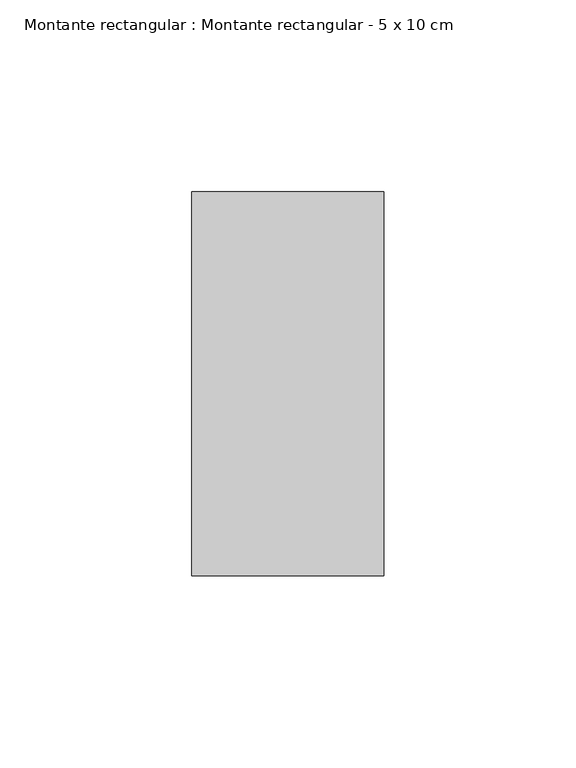
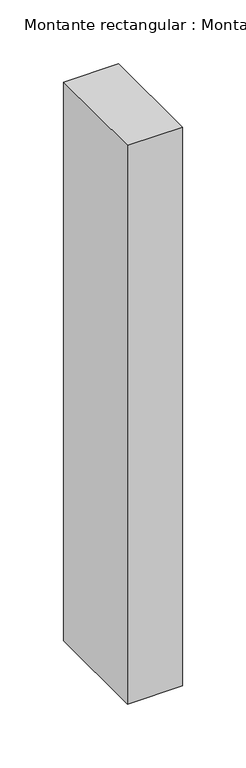
"""IFC4 building model written with IfcOpenShell, lengths in millimetres: member geometry, Montante rectangular : Montante rectangular - 5 x 10 cm."""

from ifc_helpers import new_model, si_unit, frame, origin, place, context, project, spatial, polyline, outline, extrude, source, transform, mapped, element, save


def montante_rectangular_montante_rectangular_5_x_10_cm_a4a559ca(model_context):
    return source(origin(), model_context, "Body", "SweptSolid", [
        extrude(outline(polyline([(-50.0, 50.0), (0.0, 50.0), (0.0, -50.0), (-50.0, -50.0), (-50.0, 50.0)])), frame((0.0, 0.0, -535.0), z_axis=(0.0, 0.0, 1.0), x_axis=(1.0, 0.0, 0.0)), (0.0, 0.0, 1.0), 535.0),
    ])


if __name__ == "__main__":
    model = new_model("IFC4")
    model_context = context("Model", 3, world=origin())
    ifc_project = project(units=[si_unit("LENGTHUNIT", "METRE", prefix="MILLI")], contexts=[model_context])
    site = spatial("IfcSite", under=ifc_project)
    building = spatial("IfcBuilding", under=site)
    placement = place(None, origin())
    montante_rectangular_montante_rectangular_5_x_10_cm_shape = montante_rectangular_montante_rectangular_5_x_10_cm_a4a559ca(model_context)
    element("IfcMember", 1, ObjectType="Montante rectangular : Montante rectangular - 5 x 10 cm", at=placement, inside=building, context=model_context, shape_type="MappedRepresentation", body=[
        mapped(montante_rectangular_montante_rectangular_5_x_10_cm_shape, transform((0.0, 0.0, 0.0), x_axis=(1.0, 0.0, 0.0), y_axis=(0.0, 1.0, 0.0), z_axis=(0.0, 0.0, 1.0))),
    ])
    save(model, "model.ifc")
